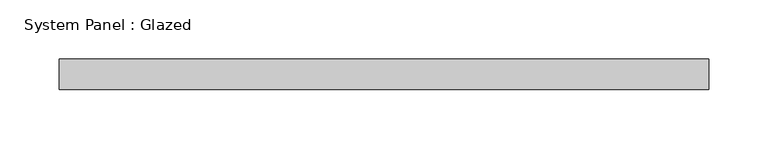
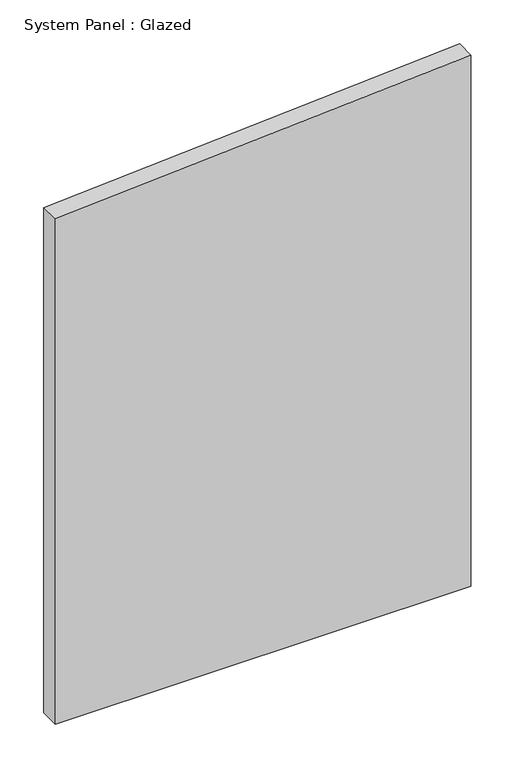
"""IFC4 building model written with IfcOpenShell, lengths in millimetres: plate geometry, System Panel : Glazed."""

from ifc_helpers import new_model, si_unit, frame, origin, place, context, project, spatial, polyline, outline, extrude, source, transform, mapped, element, save


def system_panel_glazed_46a8e2ec(model_context):
    return source(origin(), model_context, "Body", "SweptSolid", [
        extrude(outline(polyline([(0.0, -273.05), (0.0, 273.05), (737.8938437, 273.05), (701.810614, -273.05), (0.0, -273.05)])), frame((0.0, 19.05, 0.0), z_axis=(0.0, 1.0, 0.0), x_axis=(0.0, 0.0, 1.0)), (0.0, 0.0, 1.0), 25.4),
    ])


if __name__ == "__main__":
    model = new_model("IFC4")
    model_context = context("Model", 3, world=origin())
    ifc_project = project(units=[si_unit("LENGTHUNIT", "METRE", prefix="MILLI")], contexts=[model_context])
    site = spatial("IfcSite", under=ifc_project)
    building = spatial("IfcBuilding", under=site)
    placement = place(None, origin())
    system_panel_glazed_shape = system_panel_glazed_46a8e2ec(model_context)
    element("IfcPlate", 1, ObjectType="System Panel : Glazed", at=placement, inside=building, context=model_context, shape_type="MappedRepresentation", body=[
        mapped(system_panel_glazed_shape, transform((0.0, 0.0, 0.0), x_axis=(1.0, 0.0, 0.0), y_axis=(0.0, 1.0, 0.0), z_axis=(0.0, 0.0, 1.0))),
    ])
    save(model, "model.ifc")
